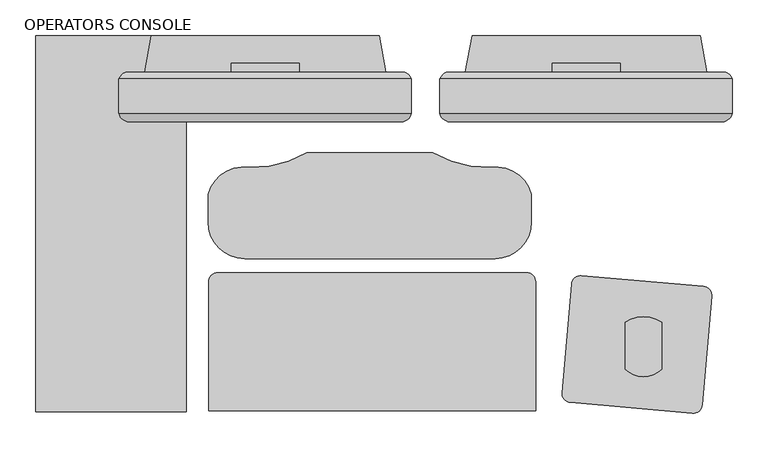
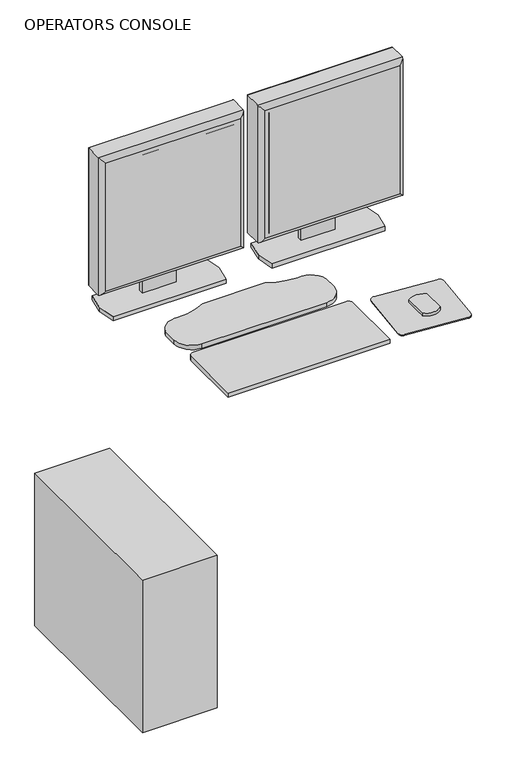
"""IFC4 building model written with IfcOpenShell, lengths in millimetres: proxy geometry, OPERATORS CONSOLE."""

from ifc_helpers import new_model, si_unit, point, frame, frame_2d, origin, origin_with_axes, place, context, project, spatial, polyline, circle_curve, ellipse_curve, trimmed, segment, composite_curve, outline, extrude, source, transform, mapped, element, save
from ifc_brep_helpers import plane_surface, cylinder_surface, advanced_brep


def operators_console_363da67f(model_context):
    return source(origin(), model_context, "Body", "SolidModel", [
        advanced_brep(
        [(84.867805, -136.491636, 1419.86), (84.867805, -179.6223166, 1419.86), (84.867805, -184.6193594, 1419.86), (493.807805, -184.6193594, 1419.86), (493.807805, -179.6223166, 1419.86), (493.807805, -136.491636, 1419.86), (493.807805, -136.491636, 1010.2963264), (493.807805, -179.6223166, 1010.2963264), (493.807805, -184.6193594, 1010.2963264), (84.867805, -184.6193594, 1010.2963264), (84.867805, -179.6223166, 1010.2963264), (84.867805, -136.491636, 1010.2963264), (94.105441, -127.254, 1019.5339624), (94.105441, -127.254, 1410.622364), (484.5701691, -127.254, 1410.622364), (484.5701691, -127.254, 1019.5339624), (99.0319657, -196.5036769, 1405.694569), (99.0319657, -196.5036769, 1024.4617574), (479.642374, -196.5036769, 1024.460487), (479.6436444, -196.5036769, 1405.694569)],
        [
            (0, 1),
            (1, 2),
            (2, 3),
            (3, 4),
            (4, 5),
            (5, 0),
            (6, 7),
            (7, 8),
            (8, 9),
            (9, 10),
            (10, 11),
            (11, 6),
            (12, 13),
            (13, 14),
            (14, 15),
            (15, 12),
            (0, 11),
            (9, 2),
            (16, 17),
            (17, 18),
            (18, 19),
            (19, 16),
            (3, 8),
            (6, 5),
            (12, 11, ellipse_curve(frame((100.9824933, -143.3686883, 1026.4110147), z_axis=(-0.7071067811865452, 0.0, 0.7071067811865498), x_axis=(-0.7071067811865498, 0.0, -0.7071067811865452)), 24.7780962, 17.5207599)),
            (0, 13, ellipse_curve(frame((100.9824933, -143.3686883, 1403.7453117), z_axis=(-0.7071067811865498, 0.0, -0.7071067811865452), x_axis=(0.7071067811865452, 0.0, -0.7071067811865498)), 24.7780962, 17.5207599)),
            (16, 2, ellipse_curve(frame((99.0319657, -182.120838, 1405.6958394), z_axis=(-0.7071067811865498, 0.0, -0.7071067811865452), x_axis=(0.7071067811865452, 0.0, -0.7071067811865498)), 20.3404059, 14.3828389)),
            (9, 17, ellipse_curve(frame((99.0319657, -182.120838, 1024.460487), z_axis=(-0.7071067811865452, 0.0, 0.7071067811865498), x_axis=(-0.7071067811865498, 0.0, -0.7071067811865452)), 20.3404059, 14.3828389)),
            (15, 6, ellipse_curve(frame((477.6931168, -143.3686883, 1026.4110147), z_axis=(-0.7071067811865498, 0.0, -0.7071067811865452), x_axis=(0.7071067811865452, 0.0, -0.7071067811865497)), 24.7780962, 17.5207599)),
            (8, 18, ellipse_curve(frame((479.6436444, -182.120838, 1024.460487), z_axis=(-0.7071067811865498, 0.0, -0.7071067811865452), x_axis=(0.7071067811865452, 0.0, -0.7071067811865497)), 20.3404059, 14.3828389)),
            (14, 5, ellipse_curve(frame((477.6931168, -143.3686883, 1403.7453117), z_axis=(0.7071067811865452, 0.0, -0.7071067811865498), x_axis=(0.7071067811865498, 0.0, 0.7071067811865452)), 24.7780962, 17.5207599)),
            (3, 19, ellipse_curve(frame((479.6436444, -182.120838, 1405.6958394), z_axis=(0.7071067811865452, 0.0, -0.7071067811865498), x_axis=(0.7071067811865498, 0.0, 0.7071067811865452)), 20.3404059, 14.3828389)),
        ],
        [
            plane_surface(frame((89.947805, -127.254, 1419.86), z_axis=(0.0, 0.0, 1.0), x_axis=(-1.0, 0.0, 0.0))),
            plane_surface(frame((89.947805, -127.254, 1010.2963264), z_axis=(0.0, 0.0, -1.0), x_axis=(1.0, 0.0, 0.0))),
            plane_surface(frame((493.807805, -127.254, 1419.86), z_axis=(0.0, 1.0, 0.0), x_axis=(0.0, 0.0, -1.0))),
            plane_surface(frame((84.867805, -127.254, 1419.86), z_axis=(-1.0, 0.0, 0.0), x_axis=(0.0, 0.0, -1.0))),
            plane_surface(frame((84.867805, -196.5036769, 1419.86), z_axis=(0.0, -1.0, 0.0), x_axis=(0.0, 0.0, -1.0))),
            plane_surface(frame((493.807805, -196.5036769, 1419.86), z_axis=(1.0, 0.0, 0.0), x_axis=(0.0, 0.0, -1.0))),
            cylinder_surface(frame((100.9824933, -143.3686883, 1419.86), z_axis=(0.0, 0.0, -1.0), x_axis=(0.0, 1.0, 0.0)), 17.5207599),
            cylinder_surface(frame((99.0319657, -182.120838, 1419.86), z_axis=(0.0, 0.0, -1.0), x_axis=(0.0, 1.0, 0.0)), 14.3828389),
            cylinder_surface(frame((84.867805, -143.3686883, 1026.4110147), z_axis=(1.0, 0.0, 0.0), x_axis=(0.0, 1.0, 0.0)), 17.5207599),
            cylinder_surface(frame((84.867805, -182.120838, 1024.460487), z_axis=(1.0, 0.0, 0.0), x_axis=(0.0, 1.0, 0.0)), 14.3828389),
            cylinder_surface(frame((477.6931168, -143.3686883, 1010.2963264), z_axis=(0.0, 0.0, 1.0), x_axis=(0.0, 1.0, 0.0)), 17.5207599),
            cylinder_surface(frame((479.6436444, -182.120838, 1010.2963264), z_axis=(0.0, 0.0, 1.0), x_axis=(0.0, 1.0, 0.0)), 14.3828389),
            cylinder_surface(frame((493.807805, -143.3686883, 1403.7453117), z_axis=(-1.0, 0.0, 0.0), x_axis=(0.0, 1.0, 0.0)), 17.5207599),
            cylinder_surface(frame((493.807805, -182.120838, 1405.6958394), z_axis=(-1.0, 0.0, 0.0), x_axis=(0.0, 1.0, 0.0)), 14.3828389),
        ],
        [
            (0, [[1, 2, 3, 4, 5, 6]]),
            (1, [[7, 8, 9, 10, 11, 12]]),
            (2, [[13, 14, 15, 16]]),
            (3, [[-1, 17, -11, -10, 18, -2]]),
            (4, [[19, 20, 21, 22]]),
            (5, [[-5, -4, 23, -8, -7, 24]]),
            (6, [[25, -17, 26, -13]]),
            (7, [[27, -18, 28, -19]]),
            (8, [[-25, -16, 29, -12]]),
            (9, [[30, -20, -28, -9]]),
            (10, [[-29, -15, 31, -24]]),
            (11, [[32, -21, -30, -23]]),
            (12, [[-26, -6, -31, -14]]),
            (13, [[-27, -22, -32, -3]]),
        ],
    ),
        extrude(outline(polyline([(110.267805, -190.5898978), (468.407805, -190.5898978), (468.407805, -196.5036769), (110.267805, -196.5036769), (110.267805, -190.5898978)])), frame((0.0, 0.0, 1035.6963264), z_axis=(0.0, 0.0, 1.0), x_axis=(1.0, 0.0, 0.0)), (0.0, 0.0, 1.0), 358.7636736),
        extrude(outline(polyline([(-127.254, 1236.2794056), (-114.5728288, 1236.2794056), (-114.5728288, 926.6153731), (-127.254, 926.6153731), (-127.254, 1006.8339624), (-124.5167676, 1006.8339624), (-124.5167676, 1019.5339624), (-127.254, 1019.5339624), (-127.254, 1236.2794056)])), frame((241.712805, 0.0, 0.0), z_axis=(1.0, 0.0, 0.0), x_axis=(0.0, 1.0, 0.0)), (0.0, 0.0, 1.0), 95.25),
        extrude(outline(polyline([(120.681805, -127.254), (129.825805, -76.2), (448.849805, -76.2), (457.993805, -127.254), (448.849805, -178.308), (129.825805, -178.308), (120.681805, -127.254)])), frame((0.0, 0.0, 914.4), z_axis=(0.0, 0.0, 1.0), x_axis=(1.0, 0.0, 0.0)), (0.0, 0.0, 1.0), 12.2153731),
        advanced_brep(
        [(-363.982, -136.491636, 1419.86), (-363.982, -179.6223166, 1419.86), (-363.982, -184.6193594, 1419.86), (44.958, -184.6193594, 1419.86), (44.958, -179.6223166, 1419.86), (44.958, -136.491636, 1419.86), (44.958, -136.491636, 1010.2963264), (44.958, -179.6223166, 1010.2963264), (44.958, -184.6193594, 1010.2963264), (-363.982, -184.6193594, 1010.2963264), (-363.982, -179.6223166, 1010.2963264), (-363.982, -136.491636, 1010.2963264), (-354.744364, -127.254, 1019.5339624), (-354.744364, -127.254, 1410.622364), (35.720364, -127.254, 1410.622364), (35.720364, -127.254, 1019.5339624), (-349.8178394, -196.5036769, 1405.694569), (-349.8178394, -196.5036769, 1024.4617574), (30.792569, -196.5036769, 1024.460487), (30.7938394, -196.5036769, 1405.694569)],
        [
            (0, 1),
            (1, 2),
            (2, 3),
            (3, 4),
            (4, 5),
            (5, 0),
            (6, 7),
            (7, 8),
            (8, 9),
            (9, 10),
            (10, 11),
            (11, 6),
            (12, 13),
            (13, 14),
            (14, 15),
            (15, 12),
            (0, 11),
            (9, 2),
            (16, 17),
            (17, 18),
            (18, 19),
            (19, 16),
            (3, 8),
            (6, 5),
            (12, 11, ellipse_curve(frame((-347.8673117, -143.3686883, 1026.4110147), z_axis=(-0.7071067811865452, 0.0, 0.7071067811865498), x_axis=(-0.7071067811865498, 0.0, -0.7071067811865452)), 24.7780962, 17.5207599)),
            (0, 13, ellipse_curve(frame((-347.8673117, -143.3686883, 1403.7453117), z_axis=(-0.7071067811865498, 0.0, -0.7071067811865452), x_axis=(0.7071067811865452, 0.0, -0.7071067811865498)), 24.7780962, 17.5207599)),
            (16, 2, ellipse_curve(frame((-349.8178394, -182.120838, 1405.6958394), z_axis=(-0.7071067811865498, 0.0, -0.7071067811865452), x_axis=(0.7071067811865452, 0.0, -0.7071067811865498)), 20.3404059, 14.3828389)),
            (9, 17, ellipse_curve(frame((-349.8178394, -182.120838, 1024.460487), z_axis=(-0.7071067811865452, 0.0, 0.7071067811865498), x_axis=(-0.7071067811865498, 0.0, -0.7071067811865452)), 20.3404059, 14.3828389)),
            (15, 6, ellipse_curve(frame((28.8433117, -143.3686883, 1026.4110147), z_axis=(-0.7071067811865498, 0.0, -0.7071067811865452), x_axis=(0.7071067811865452, 0.0, -0.7071067811865497)), 24.7780962, 17.5207599)),
            (8, 18, ellipse_curve(frame((30.7938394, -182.120838, 1024.460487), z_axis=(-0.7071067811865498, 0.0, -0.7071067811865452), x_axis=(0.7071067811865452, 0.0, -0.7071067811865497)), 20.3404059, 14.3828389)),
            (14, 5, ellipse_curve(frame((28.8433117, -143.3686883, 1403.7453117), z_axis=(0.7071067811865452, 0.0, -0.7071067811865498), x_axis=(0.7071067811865498, 0.0, 0.7071067811865452)), 24.7780962, 17.5207599)),
            (3, 19, ellipse_curve(frame((30.7938394, -182.120838, 1405.6958394), z_axis=(0.7071067811865452, 0.0, -0.7071067811865498), x_axis=(0.7071067811865498, 0.0, 0.7071067811865452)), 20.3404059, 14.3828389)),
        ],
        [
            plane_surface(frame((-358.902, -127.254, 1419.86), z_axis=(0.0, 0.0, 1.0), x_axis=(-1.0, 0.0, 0.0))),
            plane_surface(frame((-358.902, -127.254, 1010.2963264), z_axis=(0.0, 0.0, -1.0), x_axis=(1.0, 0.0, 0.0))),
            plane_surface(frame((44.958, -127.254, 1419.86), z_axis=(0.0, 1.0, 0.0), x_axis=(0.0, 0.0, -1.0))),
            plane_surface(frame((-363.982, -127.254, 1419.86), z_axis=(-1.0, 0.0, 0.0), x_axis=(0.0, 0.0, -1.0))),
            plane_surface(frame((-363.982, -196.5036769, 1419.86), z_axis=(0.0, -1.0, 0.0), x_axis=(0.0, 0.0, -1.0))),
            plane_surface(frame((44.958, -196.5036769, 1419.86), z_axis=(1.0, 0.0, 0.0), x_axis=(0.0, 0.0, -1.0))),
            cylinder_surface(frame((-347.8673117, -143.3686883, 1419.86), z_axis=(0.0, 0.0, -1.0), x_axis=(0.0, 1.0, 0.0)), 17.5207599),
            cylinder_surface(frame((-349.8178394, -182.120838, 1419.86), z_axis=(0.0, 0.0, -1.0), x_axis=(0.0, 1.0, 0.0)), 14.3828389),
            cylinder_surface(frame((-363.982, -143.3686883, 1026.4110147), z_axis=(1.0, 0.0, 0.0), x_axis=(0.0, 1.0, 0.0)), 17.5207599),
            cylinder_surface(frame((-363.982, -182.120838, 1024.460487), z_axis=(1.0, 0.0, 0.0), x_axis=(0.0, 1.0, 0.0)), 14.3828389),
            cylinder_surface(frame((28.8433117, -143.3686883, 1010.2963264), z_axis=(0.0, 0.0, 1.0), x_axis=(0.0, 1.0, 0.0)), 17.5207599),
            cylinder_surface(frame((30.7938394, -182.120838, 1010.2963264), z_axis=(0.0, 0.0, 1.0), x_axis=(0.0, 1.0, 0.0)), 14.3828389),
            cylinder_surface(frame((44.958, -143.3686883, 1403.7453117), z_axis=(-1.0, 0.0, 0.0), x_axis=(0.0, 1.0, 0.0)), 17.5207599),
            cylinder_surface(frame((44.958, -182.120838, 1405.6958394), z_axis=(-1.0, 0.0, 0.0), x_axis=(0.0, 1.0, 0.0)), 14.3828389),
        ],
        [
            (0, [[1, 2, 3, 4, 5, 6]]),
            (1, [[7, 8, 9, 10, 11, 12]]),
            (2, [[13, 14, 15, 16]]),
            (3, [[-1, 17, -11, -10, 18, -2]]),
            (4, [[19, 20, 21, 22]]),
            (5, [[-5, -4, 23, -8, -7, 24]]),
            (6, [[25, -17, 26, -13]]),
            (7, [[27, -18, 28, -19]]),
            (8, [[-25, -16, 29, -12]]),
            (9, [[30, -20, -28, -9]]),
            (10, [[-29, -15, 31, -24]]),
            (11, [[32, -21, -30, -23]]),
            (12, [[-26, -6, -31, -14]]),
            (13, [[-27, -22, -32, -3]]),
        ],
    ),
        extrude(outline(polyline([(-338.582, -190.5898978), (19.558, -190.5898978), (19.558, -196.5036769), (-338.582, -196.5036769), (-338.582, -190.5898978)])), frame((0.0, 0.0, 1035.6963264), z_axis=(0.0, 0.0, 1.0), x_axis=(1.0, 0.0, 0.0)), (0.0, 0.0, 1.0), 358.7636736),
        extrude(outline(polyline([(-127.254, 1236.2794056), (-114.5728288, 1236.2794056), (-114.5728288, 926.6153731), (-127.254, 926.6153731), (-127.254, 1006.8339624), (-124.5167676, 1006.8339624), (-124.5167676, 1019.5339624), (-127.254, 1019.5339624), (-127.254, 1236.2794056)])), frame((-207.137, 0.0, 0.0), z_axis=(1.0, 0.0, 0.0), x_axis=(0.0, 1.0, 0.0)), (0.0, 0.0, 1.0), 95.25),
        extrude(outline(polyline([(-480.3729933, -601.98), (-480.3729933, -76.2), (-269.5529933, -76.2), (-269.5529933, -601.98), (-480.3729933, -601.98)])), origin_with_axes(), (0.0, 0.0, 1.0), 454.66),
        extrude(outline(composite_curve([segment(trimmed(circle_curve(frame_2d((-188.3957152, -336.9073388)), 50.8), [point((-188.3957152, -387.7073388))], [point((-239.1957152, -336.9073388))], False, "CARTESIAN"), True, "CONTINUOUS"), segment(polyline([(-239.1957152, -336.9073388), (-239.1957152, -298.0826862)]), True, "CONTINUOUS"), segment(trimmed(circle_curve(frame_2d((-189.1990049, -311.5124251)), 51.7689959), [point((-239.1957152, -298.0826862))], [point((-182.1640967, -260.2236446))], False, "CARTESIAN"), True, "CONTINUOUS"), segment(trimmed(circle_curve(frame_2d((-178.1921881, -105.2358731)), 155.0386577), [point((-182.1640967, -260.2236446))], [point((-101.2816124, -239.8529178))], True, "CARTESIAN"), True, "CONTINUOUS"), segment(trimmed(circle_curve(frame_2d((-13.1357152, -1092.2236316)), 856.9162929), [point((-101.2816124, -239.8529178))], [point((75.0101819, -239.8529178))], False, "CARTESIAN"), True, "CONTINUOUS"), segment(trimmed(circle_curve(frame_2d((151.9207577, -105.2358731)), 155.0386577), [point((75.0101819, -239.8529178))], [point((155.8926662, -260.2236446))], True, "CARTESIAN"), True, "CONTINUOUS"), segment(trimmed(circle_curve(frame_2d((162.9275744, -311.5124251)), 51.7689959), [point((155.8926662, -260.2236446))], [point((212.9242848, -298.0826862))], False, "CARTESIAN"), True, "CONTINUOUS"), segment(polyline([(212.9242848, -298.0826862), (212.9242848, -336.9073388)]), True, "CONTINUOUS"), segment(trimmed(circle_curve(frame_2d((162.1242848, -336.9073388)), 50.8), [point((212.9242848, -336.9073388))], [point((162.1242848, -387.7073388))], False, "CARTESIAN"), True, "CONTINUOUS"), segment(polyline([(162.1242848, -387.7073388), (-188.3957152, -387.7073388)]), True, "CONTINUOUS")], self_intersect=False)), frame((0.0, 0.0, 914.4), z_axis=(0.0, 0.0, 1.0), x_axis=(1.0, 0.0, 0.0)), (0.0, 0.0, 1.0), 12.2153731),
        extrude(outline(composite_curve([segment(trimmed(circle_curve(frame_2d((281.6515965, -424.5127358)), 12.7), [point((268.9999238, -423.4058579))], [point((282.7584744, -411.8610632))], False, "CARTESIAN"), True, "CONTINUOUS"), segment(polyline([(282.7584744, -411.8610632), (453.5560554, -426.8039153)]), True, "CONTINUOUS"), segment(trimmed(circle_curve(frame_2d((452.4491775, -439.4555879)), 12.7), [point((453.5560554, -426.8039153))], [point((465.1008502, -440.5624658))], False, "CARTESIAN"), True, "CONTINUOUS"), segment(polyline([(465.1008502, -440.5624658), (451.818315, -592.3825378)]), True, "CONTINUOUS"), segment(trimmed(circle_curve(frame_2d((439.1666423, -591.2756599)), 12.7), [point((451.818315, -592.3825378))], [point((438.0597644, -603.9273326))], False, "CARTESIAN"), True, "CONTINUOUS"), segment(polyline([(438.0597644, -603.9273326), (267.2621834, -588.9844805)]), True, "CONTINUOUS"), segment(trimmed(circle_curve(frame_2d((268.3690613, -576.3328078)), 12.7), [point((267.2621834, -588.9844805))], [point((255.7173886, -575.2259299))], False, "CARTESIAN"), True, "CONTINUOUS"), segment(polyline([(255.7173886, -575.2259299), (268.9999238, -423.4058579)]), True, "CONTINUOUS")], self_intersect=False)), frame((0.0, 0.0, 914.4), z_axis=(0.0, 0.0, 1.0), x_axis=(1.0, 0.0, 0.0)), (0.0, 0.0, 1.0), 2.9133962),
        extrude(outline(composite_curve([segment(trimmed(circle_curve(frame_2d((369.5942809, -517.3693638)), 35.5491443), [point((394.9942809, -542.2406657))], [point((344.1942809, -542.2406657))], False, "CARTESIAN"), True, "CONTINUOUS"), segment(polyline([(344.1942809, -542.2406657), (344.1942809, -476.945319)]), True, "CONTINUOUS"), segment(trimmed(circle_curve(frame_2d((369.5942809, -515.1227321)), 45.8549329), [point((344.1942809, -476.945319))], [point((394.9942809, -476.945319))], False, "CARTESIAN"), True, "CONTINUOUS"), segment(polyline([(394.9942809, -476.945319), (394.9942809, -542.2406657)]), True, "CONTINUOUS")], self_intersect=False)), frame((0.0, 0.0, 917.3133962), z_axis=(0.0, 0.0, 1.0), x_axis=(1.0, 0.0, 0.0)), (0.0, 0.0, 1.0), 9.3019768),
        extrude(outline(polyline([(-328.168, -127.254), (-319.024, -76.2), (0.0, -76.2), (9.144, -127.254), (0.0, -178.308), (-319.024, -178.308), (-328.168, -127.254)])), frame((0.0, 0.0, 914.4), z_axis=(0.0, 0.0, 1.0), x_axis=(1.0, 0.0, 0.0)), (0.0, 0.0, 1.0), 12.2153731),
        extrude(outline(composite_curve([segment(trimmed(circle_curve(frame_2d((-225.7227996, -420.272695)), 12.7), [point((-238.4227996, -420.272695))], [point((-225.7227996, -407.572695))], False, "CARTESIAN"), True, "CONTINUOUS"), segment(polyline([(-225.7227996, -407.572695), (206.0772004, -407.572695)]), True, "CONTINUOUS"), segment(trimmed(circle_curve(frame_2d((206.0772004, -420.272695)), 12.7), [point((206.0772004, -407.572695))], [point((218.7772004, -420.272695))], False, "CARTESIAN"), True, "CONTINUOUS"), segment(polyline([(218.7772004, -420.272695), (218.7772004, -600.3435701)]), True, "CONTINUOUS"), segment(trimmed(circle_curve(frame_2d((-9.8227996, 1699.9107469)), 2311.5855777), [point((218.7772004, -600.3435701))], [point((-238.4227996, -600.3435701))], False, "CARTESIAN"), True, "CONTINUOUS"), segment(polyline([(-238.4227996, -600.3435701), (-238.4227996, -420.272695)]), True, "CONTINUOUS")], self_intersect=False)), frame((0.0, 0.0, 914.4), z_axis=(0.0, 0.0, 1.0), x_axis=(1.0, 0.0, 0.0)), (0.0, 0.0, 1.0), 12.2153731),
    ])


if __name__ == "__main__":
    model = new_model("IFC4")
    model_context = context("Model", 3, world=origin())
    ifc_project = project(units=[si_unit("LENGTHUNIT", "METRE", prefix="MILLI")], contexts=[model_context])
    site = spatial("IfcSite", under=ifc_project)
    building = spatial("IfcBuilding", under=site)
    placement = place(None, origin())
    operators_console_shape = operators_console_363da67f(model_context)
    element("IfcBuildingElementProxy", 1, Name="OPERATORS CONSOLE", ObjectType="OPERATORS CONSOLE", at=placement, inside=building, context=model_context, shape_type="MappedRepresentation", body=[
        mapped(operators_console_shape, transform((0.0, 0.0, 0.0), x_axis=(1.0, 0.0, 0.0), y_axis=(0.0, 1.0, 0.0), z_axis=(0.0, 0.0, 1.0))),
    ])
    save(model, "model.ifc")
